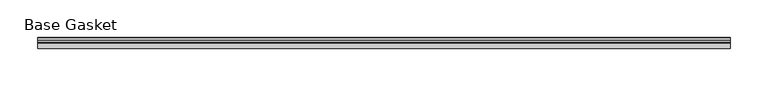
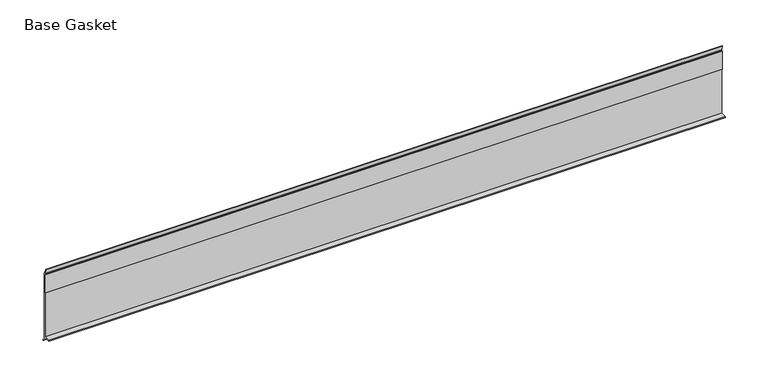
"""IFC4 building model written with IfcOpenShell, lengths in millimetres: furniture geometry, Base Gasket."""

import ifcopenshell
import ifcopenshell.guid

model = None  # the IFC model being written
_history = None  # IfcOwnerHistory: only IFC2X3 demands one
_inside = {}  # id of a spatial element -> (the spatial element, [elements in it])
_under = {}  # id of a project, library or spatial element -> (it, [spatial elements below it])
_declared = {}  # id of a project -> (the project, [libraries it declares])
_typed = {}  # id of a type object -> (the type object, [elements of that type])
_made_of = {}  # id of a material, layer set ... -> (it, [elements and type objects made of it])


def new_model(schema):
    """Start an empty IFC model of exactly this schema.

    Asked for "IFC4X3", IfcOpenShell would pick the latest addendum, in which some entities
    have other attributes; the version numbers below select the first issue.
    IFC2X3 requires an IfcOwnerHistory on every rooted entity: one is made here for all.
    """
    global model, _history
    if schema == "IFC4X3":
        model = ifcopenshell.file(schema_version=(4, 3, 0, 0))
    else:
        model = ifcopenshell.file(schema=schema)
    _inside.clear()
    _under.clear()
    _declared.clear()
    _typed.clear()
    _made_of.clear()
    _history = None
    if model.schema == "IFC2X3":
        org = make("IfcOrganization", Name="unknown")
        user = make(
            "IfcPersonAndOrganization",
            ThePerson=make("IfcPerson", FamilyName="unknown"),
            TheOrganization=org,
        )
        app = make(
            "IfcApplication",
            ApplicationDeveloper=org,
            Version="unknown",
            ApplicationFullName="unknown",
            ApplicationIdentifier="unknown",
        )
        _history = make(
            "IfcOwnerHistory",
            OwningUser=user,
            OwningApplication=app,
            ChangeAction="ADDED",
            CreationDate=0,
        )
    return model


def make(cls, **values):
    """One entity of the class cls with the attributes given. An attribute that is None is left unset."""
    return model.create_entity(
        cls, **{name: value for name, value in values.items() if value is not None}
    )


def rooted(cls, **values):
    """An entity with a GlobalId (a new one), such as an element, a storey or a relation."""
    return make(cls, GlobalId=ifcopenshell.guid.new(), OwnerHistory=_history, **values)


def si_unit(unit_type, name, prefix=None):
    """IfcSIUnit, for example si_unit("LENGTHUNIT", "METRE", prefix="MILLI")."""
    return make("IfcSIUnit", UnitType=unit_type, Prefix=prefix, Name=name)


def assignment(units):
    """IfcUnitAssignment: the units of a project."""
    return None if units is None else make("IfcUnitAssignment", Units=units)


def point(xyz):
    """IfcCartesianPoint."""
    return None if xyz is None else make("IfcCartesianPoint", Coordinates=xyz)


def direction(xyz):
    """IfcDirection."""
    return None if xyz is None else make("IfcDirection", DirectionRatios=xyz)


def frame(location, z_axis=None, x_axis=None):
    """IfcAxis2Placement3D, a coordinate frame: its origin and axes. An axis left out is left unset."""
    return make(
        "IfcAxis2Placement3D",
        Location=point(location),
        Axis=direction(z_axis),
        RefDirection=direction(x_axis),
    )


def origin():
    """The frame at (0, 0, 0) with its axes left unset."""
    return frame((0.0, 0.0, 0.0))


def place(relative_to, where):
    """IfcLocalPlacement: puts the frame where relative to a parent placement (None: the world)."""
    return make(
        "IfcLocalPlacement", PlacementRelTo=relative_to, RelativePlacement=where
    )


def context(
    kind, dimensions, precision=None, world=None, true_north=None, identifier=None
):
    """IfcGeometricRepresentationContext, for example the 3D "Model" context."""
    return make(
        "IfcGeometricRepresentationContext",
        ContextIdentifier=identifier,
        ContextType=kind,
        CoordinateSpaceDimension=dimensions,
        Precision=precision,
        WorldCoordinateSystem=world,
        TrueNorth=true_north,
    )


def project(units=None, contexts=None):
    """IfcProject with its units and contexts."""
    return rooted(
        "IfcProject",
        Name="project",
        RepresentationContexts=contexts,
        UnitsInContext=assignment(units),
    )


def spatial(cls, under=None, at=None, **own):
    """A site, building, storey or space (cls), placed at a placement, below another one or the project."""
    s = rooted(cls, ObjectPlacement=at, **own)
    if under is not None:
        _under.setdefault(under.id(), (under, []))[1].append(s)
    return s


def polyline(points):
    """IfcPolyline through the points."""
    return make("IfcPolyline", Points=[point(p) for p in points])


def outline(outer, holes=None, kind="AREA"):
    """IfcArbitraryClosedProfileDef: a profile drawn as a closed curve; with holes, ...WithVoids."""
    if holes is None:
        return make("IfcArbitraryClosedProfileDef", ProfileType=kind, OuterCurve=outer)
    return make(
        "IfcArbitraryProfileDefWithVoids",
        ProfileType=kind,
        OuterCurve=outer,
        InnerCurves=holes,
    )


def extrude(swept, where, along, depth):
    """IfcExtrudedAreaSolid: the profile swept, set in the frame where, extruded along a direction by depth."""
    return make(
        "IfcExtrudedAreaSolid",
        SweptArea=swept,
        Position=where,
        ExtrudedDirection=direction(along),
        Depth=depth,
    )


def shape(context_of_items, identifier, shape_type, items):
    """IfcShapeRepresentation: the items that make up one representation, for example the "Body"."""
    return make(
        "IfcShapeRepresentation",
        ContextOfItems=context_of_items,
        RepresentationIdentifier=identifier,
        RepresentationType=shape_type,
        Items=items,
    )


def source(mapping_origin, context_of_items, identifier, shape_type, items):
    """IfcRepresentationMap: a shape defined once, which mapped items show again and again."""
    return make(
        "IfcRepresentationMap",
        MappingOrigin=mapping_origin,
        MappedRepresentation=shape(context_of_items, identifier, shape_type, items),
    )


def transform(
    local_origin,
    x_axis=None,
    y_axis=None,
    z_axis=None,
    scale=None,
    scale2=None,
    scale3=None,
    uniform=True,
):
    """IfcCartesianTransformationOperator3D, or its non-uniform kind. x_axis, y_axis, z_axis: its Axis1, 2, 3."""
    if uniform:
        return make(
            "IfcCartesianTransformationOperator3D",
            Axis1=direction(x_axis),
            Axis2=direction(y_axis),
            LocalOrigin=point(local_origin),
            Scale=scale,
            Axis3=direction(z_axis),
        )
    return make(
        "IfcCartesianTransformationOperator3DnonUniform",
        Axis1=direction(x_axis),
        Axis2=direction(y_axis),
        LocalOrigin=point(local_origin),
        Scale=scale,
        Axis3=direction(z_axis),
        Scale2=scale2,
        Scale3=scale3,
    )


def mapped(mapping_source, mapping_target):
    """IfcMappedItem: shows the shape of a source again, moved by a transform."""
    return make(
        "IfcMappedItem", MappingSource=mapping_source, MappingTarget=mapping_target
    )


def made_of(thing, what):
    """Note that an element or type object is made of a material, layer set ...; save() writes the relation."""
    if what is not None:
        _made_of.setdefault(what.id(), (what, []))[1].append(thing)
    return thing


def element(
    cls,
    number,
    at=None,
    inside=None,
    cuts=None,
    type_object=None,
    material=None,
    context=None,
    identifier="Body",
    shape_type=None,
    held_by="IfcProductDefinitionShape",
    body=None,
    shapes=None,
    **own,
):
    """One element of the class cls, such as IfcWall. Its Tag is "e" and its number.

    at: its placement. inside: the storey or other place that contains it. cuts: it is an
    opening in that element (IfcRelVoidsElement). A single representation is given by context,
    identifier, shape_type and body (its items); several are given by shapes. held_by: the class
    of the entity that holds the representations. save() writes the other relations.
    """
    e = rooted(cls, Tag="e%d" % number, ObjectPlacement=at, **own)
    if body is not None:
        shapes = [shape(context, identifier, shape_type, body)]
    if shapes is not None:
        e.Representation = make(held_by, Representations=shapes)
    if inside is not None:
        _inside.setdefault(inside.id(), (inside, []))[1].append(e)
    if cuts is not None:
        rooted(
            "IfcRelVoidsElement", RelatingBuildingElement=cuts, RelatedOpeningElement=e
        )
    if type_object is not None:
        _typed.setdefault(type_object.id(), (type_object, []))[1].append(e)
    return made_of(e, material)


def aggregate(whole, parts):
    """IfcRelAggregates: a whole, such as a stair, and the parts it consists of."""
    return rooted("IfcRelAggregates", RelatingObject=whole, RelatedObjects=parts)


def save(model, path):
    """Write the relations noted so far, then the file.

    IfcRelAggregates (storeys below a building ...), IfcRelContainedInSpatialStructure (elements
    in a storey), IfcRelDefinesByType, IfcRelAssociatesMaterial and IfcRelDeclares: one each for
    every whole, place, type object, material and project.
    """
    for whole, parts in _under.values():
        aggregate(whole, parts)
    for where, things in _inside.values():
        rooted(
            "IfcRelContainedInSpatialStructure",
            RelatedElements=things,
            RelatingStructure=where,
        )
    for kind, things in _typed.values():
        rooted("IfcRelDefinesByType", RelatedObjects=things, RelatingType=kind)
    for what, things in _made_of.values():
        rooted("IfcRelAssociatesMaterial", RelatedObjects=things, RelatingMaterial=what)
    for by, libraries in _declared.values():
        rooted("IfcRelDeclares", RelatingContext=by, RelatedDefinitions=libraries)
    model.write(path)


def base_gasket_94d047c7(model_context):
    return source(origin(), model_context, "Body", "SweptSolid", [
        extrude(outline(polyline([(3.7283812, 98.4568417), (3.7283812, 4.3498477), (7.4222115, 0.6560174), (7.8482342, 0.0), (6.8281054, 0.3520979), (2.2043812, 4.3498477), (2.1334222, 6.3818476), (-6.2405171, 6.3818476), (-6.2405171, 7.9398773), (2.2043812, 7.9398773), (2.2043812, 71.4693447), (1.4106313, 71.4693447), (1.4106313, 96.8693477), (2.2043812, 96.8693477), (2.2043812, 98.4568417), (0.6755308, 104.4162708), (0.6755308, 105.2002997), (1.1891543, 104.587663), (3.7283812, 98.4568417)])), frame((-1527.8982117, 0.0, 0.0), z_axis=(1.0, 0.0, 0.0), x_axis=(0.0, 1.0, 0.0)), (0.0, 0.0, 1.0), 914.4),
    ])


if __name__ == "__main__":
    model = new_model("IFC4")
    model_context = context("Model", 3, world=origin())
    ifc_project = project(units=[si_unit("LENGTHUNIT", "METRE", prefix="MILLI")], contexts=[model_context])
    site = spatial("IfcSite", under=ifc_project)
    building = spatial("IfcBuilding", under=site)
    placement = place(None, origin())
    base_gasket_shape = base_gasket_94d047c7(model_context)
    element("IfcFurniture", 1, ObjectType="Base Gasket", at=placement, inside=building, context=model_context, shape_type="MappedRepresentation", body=[
        mapped(base_gasket_shape, transform((0.0, 0.0, 0.0), x_axis=(1.0, 0.0, 0.0), y_axis=(0.0, 1.0, 0.0), z_axis=(0.0, 0.0, 1.0))),
    ])
    save(model, "model.ifc")
